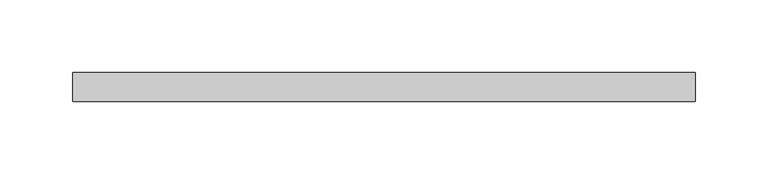
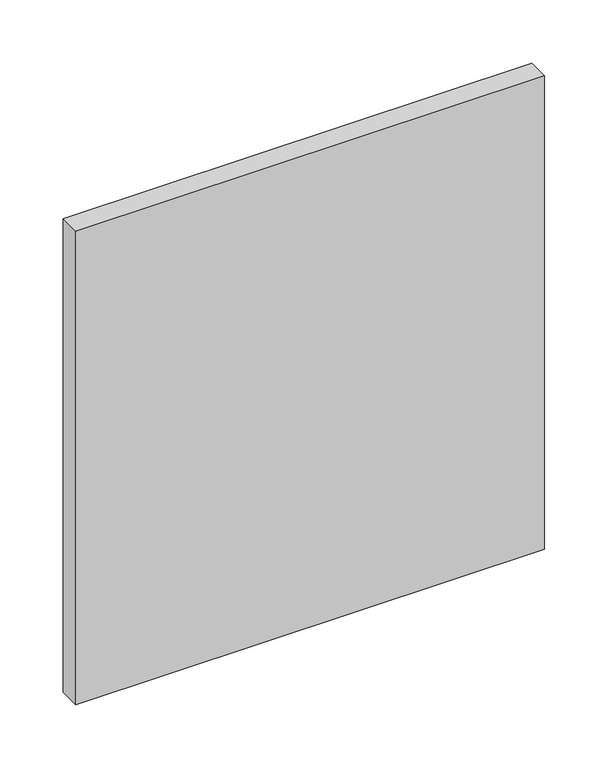
"""IFC4 building model written with IfcOpenShell, lengths in millimetres: plate geometry."""

from ifc_helpers import new_model, si_unit, origin, origin_with_axes, place, context, project, spatial, polyline, outline, extrude, source, transform, mapped, element, save


def plate_fd8de543(model_context):
    return source(origin(), model_context, "Body", "SweptSolid", [
        extrude(outline(polyline([(214.3421053, -90.0), (-214.3421053, -90.0), (-214.3421053, -70.0), (214.3421053, -70.0), (214.3421053, -90.0)])), origin_with_axes(), (0.0, 0.0, 1.0), 457.7375),
    ])


if __name__ == "__main__":
    model = new_model("IFC4")
    model_context = context("Model", 3, world=origin())
    ifc_project = project(units=[si_unit("LENGTHUNIT", "METRE", prefix="MILLI")], contexts=[model_context])
    site = spatial("IfcSite", under=ifc_project)
    building = spatial("IfcBuilding", under=site)
    placement = place(None, origin())
    plate_shape = plate_fd8de543(model_context)
    element("IfcPlate", 1, at=placement, inside=building, context=model_context, shape_type="MappedRepresentation", body=[
        mapped(plate_shape, transform((0.0, 0.0, 0.0), x_axis=(1.0, 0.0, 0.0), y_axis=(0.0, 1.0, 0.0), z_axis=(0.0, 0.0, 1.0))),
    ])
    save(model, "model.ifc")
